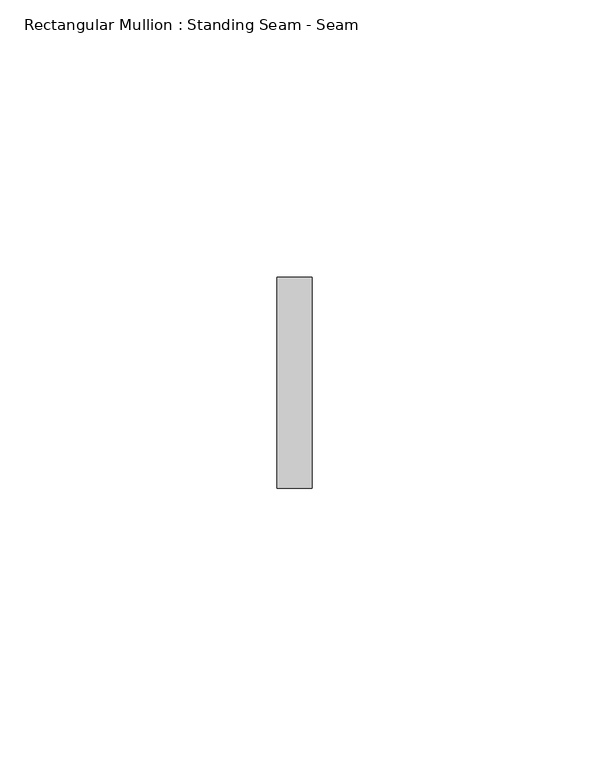
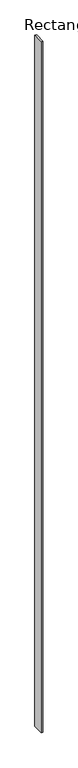
"""IFC4 building model written with IfcOpenShell, lengths in millimetres: member geometry, Rectangular Mullion : Standing Seam - Seam."""

from ifc_helpers import new_model, si_unit, frame, origin, place, context, project, spatial, polyline, outline, extrude, source, transform, mapped, element, save


def rectangular_mullion_standing_seam_seam_5977937f(model_context):
    return source(origin(), model_context, "Body", "SweptSolid", [
        extrude(outline(polyline([(3.175, 41.275), (3.175, 3.175), (-3.175, 3.175), (-3.175, 41.275), (3.175, 41.275)])), frame((0.0, 0.0, -2610.7257669), z_axis=(0.0, 0.0, 1.0), x_axis=(1.0, 0.0, 0.0)), (0.0, 0.0, 1.0), 2610.7257669),
    ])


if __name__ == "__main__":
    model = new_model("IFC4")
    model_context = context("Model", 3, world=origin())
    ifc_project = project(units=[si_unit("LENGTHUNIT", "METRE", prefix="MILLI")], contexts=[model_context])
    site = spatial("IfcSite", under=ifc_project)
    building = spatial("IfcBuilding", under=site)
    placement = place(None, origin())
    rectangular_mullion_standing_seam_seam_shape = rectangular_mullion_standing_seam_seam_5977937f(model_context)
    element("IfcMember", 1, ObjectType="Rectangular Mullion : Standing Seam - Seam", at=placement, inside=building, context=model_context, shape_type="MappedRepresentation", body=[
        mapped(rectangular_mullion_standing_seam_seam_shape, transform((0.0, 0.0, 0.0), x_axis=(1.0, 0.0, 0.0), y_axis=(0.0, 1.0, 0.0), z_axis=(0.0, 0.0, 1.0))),
    ])
    save(model, "model.ifc")
